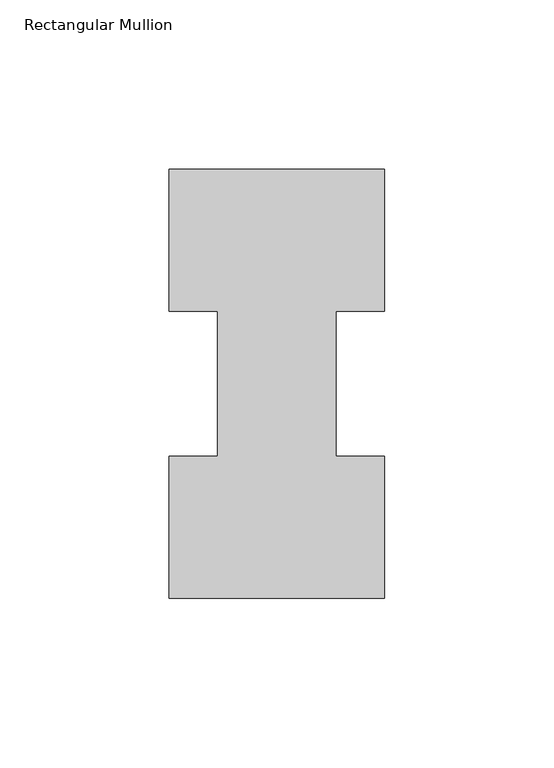
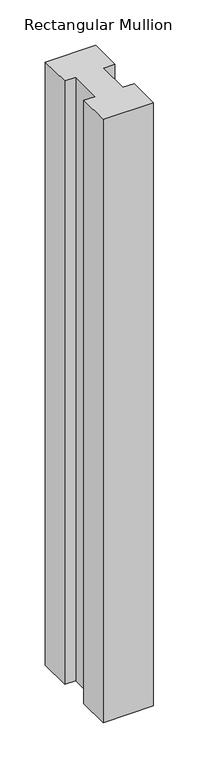
"""IFC4 building model written with IfcOpenShell, lengths in millimetres: member geometry, Rectangular Mullion."""

from ifc_helpers import new_model, si_unit, frame, origin, place, context, project, spatial, polyline, outline, extrude, source, transform, mapped, element, save


def rectangular_mullion_4911b823(model_context):
    return source(origin(), model_context, "Body", "SweptSolid", [
        extrude(outline(polyline([(-63.5, -0.0373063), (-63.5, 41.7837937), (-49.2125, 41.7837937), (-49.2125, 84.6335938), (-63.5, 84.6335938), (-63.5, 126.4546937), (0.0, 126.4546937), (0.0, 84.6335938), (-14.2748, 84.6335938), (-14.2748, 41.7837937), (0.0, 41.7837937), (0.0, -0.0373063), (-63.5, -0.0373063)])), frame((0.0, 0.0, -809.6247287), z_axis=(0.0, 0.0, 1.0), x_axis=(1.0, 0.0, 0.0)), (0.0, 0.0, 1.0), 809.6247287),
    ])


if __name__ == "__main__":
    model = new_model("IFC4")
    model_context = context("Model", 3, world=origin())
    ifc_project = project(units=[si_unit("LENGTHUNIT", "METRE", prefix="MILLI")], contexts=[model_context])
    site = spatial("IfcSite", under=ifc_project)
    building = spatial("IfcBuilding", under=site)
    placement = place(None, origin())
    rectangular_mullion_shape = rectangular_mullion_4911b823(model_context)
    element("IfcMember", 1, ObjectType="Rectangular Mullion", at=placement, inside=building, context=model_context, shape_type="MappedRepresentation", body=[
        mapped(rectangular_mullion_shape, transform((0.0, 0.0, 0.0), x_axis=(1.0, 0.0, 0.0), y_axis=(0.0, 1.0, 0.0), z_axis=(0.0, 0.0, 1.0))),
    ])
    save(model, "model.ifc")
